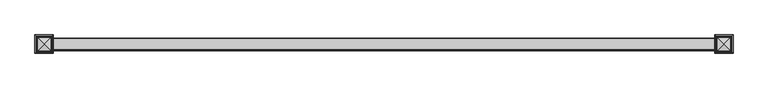
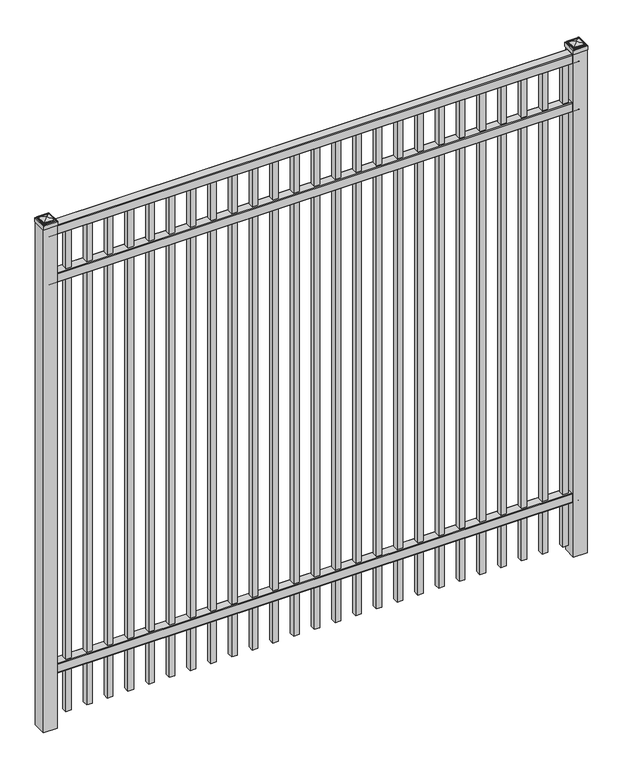
"""IFC4 building model written with IfcOpenShell, lengths in millimetres: railing geometry."""

from ifc_helpers import new_model, si_unit, point, frame, frame_2d, origin, origin_with_axes, place, context, project, spatial, polyline, circle_curve, ellipse_curve, trimmed, segment, composite_curve, outline, extrude, source, transform, mapped, element, save
from ifc_brep_helpers import plane_surface, cylinder_surface, advanced_brep


def railing_5f2b5eb3(model_context):
    return source(origin(), model_context, "Body", "SolidModel", [
        extrude(outline(composite_curve([segment(polyline([(7301.9139761, 304.8), (7339.969541, 304.8)]), True, "CONTINUOUS"), segment(trimmed(circle_curve(frame_2d((7339.969541, 301.625)), 3.175), [point((7339.969541, 304.8))], [point((7343.144541, 301.625))], False, "CARTESIAN"), True, "CONTINUOUS"), segment(polyline([(7343.144541, 301.625), (7343.144541, 262.1439893)]), True, "CONTINUOUS"), segment(trimmed(circle_curve(frame_2d((7341.3505518, 262.1439893)), 1.7939893), [point((7343.144541, 262.1439893))], [point((7341.3505518, 260.35))], False, "CARTESIAN"), True, "CONTINUOUS"), segment(polyline([(7341.3505518, 260.35), (7338.7590713, 260.35)]), True, "CONTINUOUS"), segment(trimmed(circle_curve(frame_2d((7338.7590713, 262.1359375)), 1.7859375), [point((7338.7590713, 260.35))], [point((7336.9755813, 262.0424688))], False, "CARTESIAN"), True, "CONTINUOUS"), segment(polyline([(7336.9755813, 262.0424688), (7335.4025867, 292.0569942), (7306.4364954, 292.0569942), (7304.8635007, 262.0424688)]), True, "CONTINUOUS"), segment(trimmed(circle_curve(frame_2d((7303.0800108, 262.1359375)), 1.7859375), [point((7304.8635007, 262.0424688))], [point((7303.0800108, 260.35))], False, "CARTESIAN"), True, "CONTINUOUS"), segment(polyline([(7303.0800108, 260.35), (7300.4804785, 260.35)]), True, "CONTINUOUS"), segment(trimmed(circle_curve(frame_2d((7300.4804785, 262.1359375)), 1.7859375), [point((7300.4804785, 260.35))], [point((7298.694541, 262.1359375))], False, "CARTESIAN"), True, "CONTINUOUS"), segment(polyline([(7298.694541, 262.1359375), (7298.694541, 301.5805649)]), True, "CONTINUOUS"), segment(trimmed(circle_curve(frame_2d((7301.9139761, 301.5805649)), 3.2194351), [point((7298.694541, 301.5805649))], [point((7301.9139761, 304.8))], False, "CARTESIAN"), True, "CONTINUOUS")], self_intersect=False)), frame((-10765.0649936, 0.0, 0.0), z_axis=(1.0, 0.0, 0.0), x_axis=(0.0, 1.0, 0.0)), (0.0, 0.0, 1.0), 2438.4),
        extrude(outline(composite_curve([segment(polyline([(7301.9139761, 2205.0375), (7339.969541, 2205.0375)]), True, "CONTINUOUS"), segment(trimmed(circle_curve(frame_2d((7339.969541, 2201.8625)), 3.175), [point((7339.969541, 2205.0375))], [point((7343.144541, 2201.8625))], False, "CARTESIAN"), True, "CONTINUOUS"), segment(polyline([(7343.144541, 2201.8625), (7343.144541, 2162.3814893)]), True, "CONTINUOUS"), segment(trimmed(circle_curve(frame_2d((7341.3505518, 2162.3814893)), 1.7939893), [point((7343.144541, 2162.3814893))], [point((7341.3505518, 2160.5875))], False, "CARTESIAN"), True, "CONTINUOUS"), segment(polyline([(7341.3505518, 2160.5875), (7338.7590713, 2160.5875)]), True, "CONTINUOUS"), segment(trimmed(circle_curve(frame_2d((7338.7590713, 2162.3734375)), 1.7859375), [point((7338.7590713, 2160.5875))], [point((7336.9755813, 2162.2799688))], False, "CARTESIAN"), True, "CONTINUOUS"), segment(polyline([(7336.9755813, 2162.2799688), (7335.4025867, 2192.2944942), (7306.4364954, 2192.2944942), (7304.8635007, 2162.2799688)]), True, "CONTINUOUS"), segment(trimmed(circle_curve(frame_2d((7303.0800108, 2162.3734375)), 1.7859375), [point((7304.8635007, 2162.2799688))], [point((7303.0800108, 2160.5875))], False, "CARTESIAN"), True, "CONTINUOUS"), segment(polyline([(7303.0800108, 2160.5875), (7300.4804785, 2160.5875)]), True, "CONTINUOUS"), segment(trimmed(circle_curve(frame_2d((7300.4804785, 2162.3734375)), 1.7859375), [point((7300.4804785, 2160.5875))], [point((7298.694541, 2162.3734375))], False, "CARTESIAN"), True, "CONTINUOUS"), segment(polyline([(7298.694541, 2162.3734375), (7298.694541, 2201.8180649)]), True, "CONTINUOUS"), segment(trimmed(circle_curve(frame_2d((7301.9139761, 2201.8180649)), 3.2194351), [point((7298.694541, 2201.8180649))], [point((7301.9139761, 2205.0375))], False, "CARTESIAN"), True, "CONTINUOUS")], self_intersect=False)), frame((-10765.0649936, 0.0, 0.0), z_axis=(1.0, 0.0, 0.0), x_axis=(0.0, 1.0, 0.0)), (0.0, 0.0, 1.0), 2438.4),
        extrude(outline(composite_curve([segment(polyline([(7301.9139761, 2438.4), (7339.969541, 2438.4)]), True, "CONTINUOUS"), segment(trimmed(circle_curve(frame_2d((7339.969541, 2435.225)), 3.175), [point((7339.969541, 2438.4))], [point((7343.144541, 2435.225))], False, "CARTESIAN"), True, "CONTINUOUS"), segment(polyline([(7343.144541, 2435.225), (7343.144541, 2395.7439893)]), True, "CONTINUOUS"), segment(trimmed(circle_curve(frame_2d((7341.3505518, 2395.7439893)), 1.7939893), [point((7343.144541, 2395.7439893))], [point((7341.3505518, 2393.95))], False, "CARTESIAN"), True, "CONTINUOUS"), segment(polyline([(7341.3505518, 2393.95), (7338.7590713, 2393.95)]), True, "CONTINUOUS"), segment(trimmed(circle_curve(frame_2d((7338.7590713, 2395.7359375)), 1.7859375), [point((7338.7590713, 2393.95))], [point((7336.9755813, 2395.6424688))], False, "CARTESIAN"), True, "CONTINUOUS"), segment(polyline([(7336.9755813, 2395.6424688), (7335.4025867, 2425.6569942), (7306.4364954, 2425.6569942), (7304.8635007, 2395.6424688)]), True, "CONTINUOUS"), segment(trimmed(circle_curve(frame_2d((7303.0800108, 2395.7359375)), 1.7859375), [point((7304.8635007, 2395.6424688))], [point((7303.0800108, 2393.95))], False, "CARTESIAN"), True, "CONTINUOUS"), segment(polyline([(7303.0800108, 2393.95), (7300.4804785, 2393.95)]), True, "CONTINUOUS"), segment(trimmed(circle_curve(frame_2d((7300.4804785, 2395.7359375)), 1.7859375), [point((7300.4804785, 2393.95))], [point((7298.694541, 2395.7359375))], False, "CARTESIAN"), True, "CONTINUOUS"), segment(polyline([(7298.694541, 2395.7359375), (7298.694541, 2435.1805649)]), True, "CONTINUOUS"), segment(trimmed(circle_curve(frame_2d((7301.9139761, 2435.1805649)), 3.2194351), [point((7298.694541, 2435.1805649))], [point((7301.9139761, 2438.4))], False, "CARTESIAN"), True, "CONTINUOUS")], self_intersect=False)), frame((-10765.0649936, 0.0, 0.0), z_axis=(1.0, 0.0, 0.0), x_axis=(0.0, 1.0, 0.0)), (0.0, 0.0, 1.0), 2438.4),
        extrude(outline(polyline([(0.0, -2343.15), (0.0, 0.0), (25.4, 0.0), (25.4, -2343.15), (0.0, -2343.15)])), frame((-8371.1149864, 7333.619541, 2393.95), z_axis=(-1.0, 0.0, 1.7709660025718264e-09), x_axis=(0.0, -1.0, 0.0)), (0.0, 0.0, 1.0), 25.4),
        extrude(outline(polyline([(0.0, -2343.15), (0.0, 0.0), (25.4, 0.0), (25.4, -2343.15), (0.0, -2343.15)])), frame((-8466.3649864, 7333.619541, 2393.95), z_axis=(-1.0, 0.0, 1.7709660025718264e-09), x_axis=(0.0, -1.0, 0.0)), (0.0, 0.0, 1.0), 25.4),
        extrude(outline(polyline([(0.0, -2343.15), (0.0, 0.0), (25.4, 0.0), (25.4, -2343.15), (0.0, -2343.15)])), frame((-8561.6149864, 7333.619541, 2393.95), z_axis=(-1.0, 0.0, 1.7709660025718264e-09), x_axis=(0.0, -1.0, 0.0)), (0.0, 0.0, 1.0), 25.4),
        extrude(outline(polyline([(0.0, -2343.15), (0.0, 0.0), (25.4, 0.0), (25.4, -2343.15), (0.0, -2343.15)])), frame((-8656.8649864, 7333.619541, 2393.95), z_axis=(-1.0, 0.0, 1.7709660025718264e-09), x_axis=(0.0, -1.0, 0.0)), (0.0, 0.0, 1.0), 25.4),
        extrude(outline(polyline([(0.0, -2343.15), (0.0, 0.0), (25.4, 0.0), (25.4, -2343.15), (0.0, -2343.15)])), frame((-8752.1149864, 7333.619541, 2393.95), z_axis=(-1.0, 0.0, 1.7709660025718264e-09), x_axis=(0.0, -1.0, 0.0)), (0.0, 0.0, 1.0), 25.4),
        extrude(outline(polyline([(0.0, -2343.15), (0.0, 0.0), (25.4, 0.0), (25.4, -2343.15), (0.0, -2343.15)])), frame((-8847.3649864, 7333.619541, 2393.95), z_axis=(-1.0, 0.0, 1.7709660025718264e-09), x_axis=(0.0, -1.0, 0.0)), (0.0, 0.0, 1.0), 25.4),
        extrude(outline(polyline([(0.0, -2343.15), (0.0, 0.0), (25.4, 0.0), (25.4, -2343.15), (0.0, -2343.15)])), frame((-8942.6149864, 7333.619541, 2393.95), z_axis=(-1.0, 0.0, 1.7709660025718264e-09), x_axis=(0.0, -1.0, 0.0)), (0.0, 0.0, 1.0), 25.4),
        extrude(outline(polyline([(0.0, -2343.15), (0.0, 0.0), (25.4, 0.0), (25.4, -2343.15), (0.0, -2343.15)])), frame((-9037.8649864, 7333.619541, 2393.95), z_axis=(-1.0, 0.0, 1.7709660025718264e-09), x_axis=(0.0, -1.0, 0.0)), (0.0, 0.0, 1.0), 25.4),
        extrude(outline(polyline([(0.0, -2343.15), (0.0, 0.0), (25.4, 0.0), (25.4, -2343.15), (0.0, -2343.15)])), frame((-9133.1149864, 7333.619541, 2393.95), z_axis=(-1.0, 0.0, 1.7709660025718264e-09), x_axis=(0.0, -1.0, 0.0)), (0.0, 0.0, 1.0), 25.4),
        extrude(outline(polyline([(0.0, -2343.15), (0.0, 0.0), (25.4, 0.0), (25.4, -2343.15), (0.0, -2343.15)])), frame((-9228.3649864, 7333.619541, 2393.95), z_axis=(-1.0, 0.0, 1.7709660025718264e-09), x_axis=(0.0, -1.0, 0.0)), (0.0, 0.0, 1.0), 25.4),
        extrude(outline(polyline([(0.0, -2343.15), (0.0, 0.0), (25.4, 0.0), (25.4, -2343.15), (0.0, -2343.15)])), frame((-9323.6149864, 7333.619541, 2393.95), z_axis=(-1.0, 0.0, 1.7709660025718264e-09), x_axis=(0.0, -1.0, 0.0)), (0.0, 0.0, 1.0), 25.4),
        extrude(outline(polyline([(0.0, -2343.15), (0.0, 0.0), (25.4, 0.0), (25.4, -2343.15), (0.0, -2343.15)])), frame((-9418.8649864, 7333.619541, 2393.95), z_axis=(-1.0, 0.0, 1.7709660025718264e-09), x_axis=(0.0, -1.0, 0.0)), (0.0, 0.0, 1.0), 25.4),
        extrude(outline(polyline([(0.0, -2343.15), (0.0, 0.0), (25.4, 0.0), (25.4, -2343.15), (0.0, -2343.15)])), frame((-9514.1149864, 7333.619541, 2393.95), z_axis=(-1.0, 0.0, 1.7709660025718264e-09), x_axis=(0.0, -1.0, 0.0)), (0.0, 0.0, 1.0), 25.4),
        extrude(outline(polyline([(0.0, -2343.15), (0.0, 0.0), (25.4, 0.0), (25.4, -2343.15), (0.0, -2343.15)])), frame((-9609.3649864, 7333.619541, 2393.95), z_axis=(-1.0, 0.0, 1.7709660025718264e-09), x_axis=(0.0, -1.0, 0.0)), (0.0, 0.0, 1.0), 25.4),
        extrude(outline(polyline([(0.0, -2343.15), (0.0, 0.0), (25.4, 0.0), (25.4, -2343.15), (0.0, -2343.15)])), frame((-9704.6149864, 7333.619541, 2393.95), z_axis=(-1.0, 0.0, 1.7709660025718264e-09), x_axis=(0.0, -1.0, 0.0)), (0.0, 0.0, 1.0), 25.4),
        extrude(outline(polyline([(0.0, -2343.15), (0.0, 0.0), (25.4, 0.0), (25.4, -2343.15), (0.0, -2343.15)])), frame((-9799.8649864, 7333.619541, 2393.95), z_axis=(-1.0, 0.0, 1.7709660025718264e-09), x_axis=(0.0, -1.0, 0.0)), (0.0, 0.0, 1.0), 25.4),
        extrude(outline(polyline([(0.0, -2343.15), (0.0, 0.0), (25.4, 0.0), (25.4, -2343.15), (0.0, -2343.15)])), frame((-9895.1149864, 7333.619541, 2393.95), z_axis=(-1.0, 0.0, 1.7709660025718264e-09), x_axis=(0.0, -1.0, 0.0)), (0.0, 0.0, 1.0), 25.4),
        extrude(outline(polyline([(0.0, -2343.15), (0.0, 0.0), (25.4, 0.0), (25.4, -2343.15), (0.0, -2343.15)])), frame((-9990.3649864, 7333.619541, 2393.95), z_axis=(-1.0, 0.0, 1.7709660025718264e-09), x_axis=(0.0, -1.0, 0.0)), (0.0, 0.0, 1.0), 25.4),
        extrude(outline(polyline([(0.0, -2343.15), (0.0, 0.0), (25.4, 0.0), (25.4, -2343.15), (0.0, -2343.15)])), frame((-10085.6149864, 7333.619541, 2393.95), z_axis=(-1.0, 0.0, 1.7709660025718264e-09), x_axis=(0.0, -1.0, 0.0)), (0.0, 0.0, 1.0), 25.4),
        extrude(outline(polyline([(0.0, -2343.15), (0.0, 0.0), (25.4, 0.0), (25.4, -2343.15), (0.0, -2343.15)])), frame((-10180.8649864, 7333.619541, 2393.95), z_axis=(-1.0, 0.0, 1.7709660025718264e-09), x_axis=(0.0, -1.0, 0.0)), (0.0, 0.0, 1.0), 25.4),
        extrude(outline(polyline([(0.0, -2343.15), (0.0, 0.0), (25.4, 0.0), (25.4, -2343.15), (0.0, -2343.15)])), frame((-10276.1149864, 7333.619541, 2393.95), z_axis=(-1.0, 0.0, 1.7709660025718264e-09), x_axis=(0.0, -1.0, 0.0)), (0.0, 0.0, 1.0), 25.4),
        extrude(outline(polyline([(0.0, -2343.15), (0.0, 0.0), (25.4, 0.0), (25.4, -2343.15), (0.0, -2343.15)])), frame((-10371.3649864, 7333.619541, 2393.95), z_axis=(-1.0, 0.0, 1.7709660025718264e-09), x_axis=(0.0, -1.0, 0.0)), (0.0, 0.0, 1.0), 25.4),
        extrude(outline(polyline([(0.0, -2343.15), (0.0, 0.0), (25.4, 0.0), (25.4, -2343.15), (0.0, -2343.15)])), frame((-10466.6149864, 7333.619541, 2393.95), z_axis=(-1.0, 0.0, 1.7709660025718264e-09), x_axis=(0.0, -1.0, 0.0)), (0.0, 0.0, 1.0), 25.4),
        extrude(outline(polyline([(0.0, -2343.15), (0.0, 0.0), (25.4, 0.0), (25.4, -2343.15), (0.0, -2343.15)])), frame((-10561.8649864, 7333.619541, 2393.95), z_axis=(-1.0, 0.0, 1.7709660025718264e-09), x_axis=(0.0, -1.0, 0.0)), (0.0, 0.0, 1.0), 25.4),
        extrude(outline(polyline([(0.0, -2343.15), (0.0, 0.0), (25.4, 0.0), (25.4, -2343.15), (0.0, -2343.15)])), frame((-10657.1149864, 7333.619541, 2393.95), z_axis=(-1.0, 0.0, 1.7709660025718264e-09), x_axis=(0.0, -1.0, 0.0)), (0.0, 0.0, 1.0), 25.4),
        extrude(outline(polyline([(-8294.9149936, 7352.669541), (-8294.9149936, 7289.169541), (-8358.4149936, 7289.169541), (-8358.4149936, 7352.669541), (-8294.9149936, 7352.669541)])), origin_with_axes(), (0.0, 0.0, 1.0), 2446.3375),
        advanced_brep(
        [(-8360.0024936, 7354.257041, 2464.59375), (-8360.0024936, 7354.257041, 2446.3375), (-8360.0024936, 7287.582041, 2446.3375), (-8360.0024936, 7287.582041, 2464.59375), (-8357.6212436, 7351.875791, 2466.975), (-8357.6212436, 7289.963291, 2466.975), (-8355.2399936, 7349.494541, 2469.35625), (-8355.2399936, 7349.494541, 2466.975), (-8355.2399936, 7292.344541, 2466.975), (-8355.2399936, 7292.344541, 2469.35625), (-8352.8587436, 7347.113291, 2471.7375), (-8352.8587436, 7294.725791, 2471.7375), (-8326.6649936, 7320.919541, 2478.0875), (-8350.4774936, 7344.732041, 2471.7375), (-8350.4774936, 7297.107041, 2471.7375), (-8293.3274936, 7287.582041, 2446.3375), (-8293.3274936, 7287.582041, 2464.59375), (-8295.7087436, 7289.963291, 2466.975), (-8298.0899936, 7292.344541, 2466.975), (-8298.0899936, 7292.344541, 2469.35625), (-8300.4712436, 7294.725791, 2471.7375), (-8302.8524936, 7297.107041, 2471.7375), (-8293.3274936, 7354.257041, 2446.3375), (-8293.3274936, 7354.257041, 2464.59375), (-8295.7087436, 7351.875791, 2466.975), (-8298.0899936, 7349.494541, 2466.975), (-8298.0899936, 7349.494541, 2469.35625), (-8300.4712436, 7347.113291, 2471.7375), (-8302.8524936, 7344.732041, 2471.7375)],
        [
            (0, 1),
            (1, 2),
            (2, 3),
            (3, 0),
            (4, 0, ellipse_curve(frame((-8357.6212436, 7351.875791, 2464.59375), z_axis=(-0.70710678118655, -0.7071067811865449, 0.0), x_axis=(-0.7071067811865448, 0.7071067811865501, 0.0)), 3.367596, 2.38125)),
            (3, 5, ellipse_curve(frame((-8357.6212436, 7289.963291, 2464.59375), z_axis=(-0.7071067811865449, 0.70710678118655, 0.0), x_axis=(0.7071067811865499, 0.707106781186545, 0.0)), 3.367596, 2.38125)),
            (5, 4),
            (6, 7),
            (7, 8),
            (8, 9),
            (9, 6),
            (10, 6, ellipse_curve(frame((-8352.8587436, 7347.113291, 2469.35625), z_axis=(-0.70710678118655, -0.7071067811865449, 0.0), x_axis=(-0.7071067811865448, 0.7071067811865501, 0.0)), 3.367596, 2.38125)),
            (9, 11, ellipse_curve(frame((-8352.8587436, 7294.725791, 2469.35625), z_axis=(-0.7071067811865449, 0.70710678118655, 0.0), x_axis=(0.7071067811865499, 0.707106781186545, 0.0)), 3.367596, 2.38125)),
            (11, 10),
            (12, 13, ellipse_curve(frame((-8326.6649936, 7320.919541, 2430.2640625), z_axis=(-0.70710678118655, -0.7071067811865449, 0.0), x_axis=(-0.7071067811865448, 0.7071067811865501, 0.0)), 67.6325539, 47.8234375)),
            (13, 14),
            (14, 12, ellipse_curve(frame((-8326.6649936, 7320.919541, 2430.2640625), z_axis=(-0.7071067811865449, 0.70710678118655, 0.0), x_axis=(0.7071067811865499, 0.707106781186545, 0.0)), 67.6325539, 47.8234375)),
            (2, 15),
            (15, 16),
            (16, 3),
            (16, 17, ellipse_curve(frame((-8295.7087436, 7289.963291, 2464.59375), z_axis=(-0.70710678118655, -0.707106781186545, 0.0), x_axis=(-0.707106781186545, 0.70710678118655, 0.0)), 3.367596, 2.38125)),
            (17, 5),
            (8, 18),
            (18, 19),
            (19, 9),
            (19, 20, ellipse_curve(frame((-8300.4712436, 7294.725791, 2469.35625), z_axis=(-0.70710678118655, -0.707106781186545, 0.0), x_axis=(-0.707106781186545, 0.70710678118655, 0.0)), 3.367596, 2.38125)),
            (20, 11),
            (14, 21),
            (21, 12, ellipse_curve(frame((-8326.6649936, 7320.919541, 2430.2640625), z_axis=(-0.70710678118655, -0.707106781186545, 0.0), x_axis=(-0.707106781186545, 0.70710678118655, 0.0)), 67.6325539, 47.8234375)),
            (15, 22),
            (22, 23),
            (23, 16),
            (23, 24, ellipse_curve(frame((-8295.7087436, 7351.875791, 2464.59375), z_axis=(0.707106781186545, -0.7071067811865499, 0.0), x_axis=(-0.7071067811865497, -0.7071067811865452, 0.0)), 3.367596, 2.38125)),
            (24, 17),
            (18, 25),
            (25, 26),
            (26, 19),
            (26, 27, ellipse_curve(frame((-8300.4712436, 7347.113291, 2469.35625), z_axis=(0.707106781186545, -0.7071067811865499, 0.0), x_axis=(-0.7071067811865497, -0.7071067811865452, 0.0)), 3.367596, 2.38125)),
            (27, 20),
            (21, 28),
            (28, 12, ellipse_curve(frame((-8326.6649936, 7320.919541, 2430.2640625), z_axis=(0.707106781186545, -0.7071067811865499, 0.0), x_axis=(-0.7071067811865497, -0.7071067811865452, 0.0)), 67.6325539, 47.8234375)),
            (22, 1),
            (0, 23),
            (4, 24),
            (7, 25),
            (6, 26),
            (10, 27),
            (13, 28),
        ],
        [
            plane_surface(frame((-8360.0024936, 7354.257041, 2446.3375), z_axis=(-1.0, 0.0, 0.0), x_axis=(0.0, -1.0, 0.0))),
            cylinder_surface(frame((-8357.6212436, 7352.669541, 2464.59375), z_axis=(0.0, 1.0, 0.0), x_axis=(1.0, 0.0, 0.0)), 2.38125),
            plane_surface(frame((-8355.2399936, 7349.494541, 2466.975), z_axis=(-1.0, 0.0, 0.0), x_axis=(0.0, -1.0, 0.0))),
            cylinder_surface(frame((-8352.8587436, 7352.669541, 2469.35625), z_axis=(0.0, 1.0, 0.0), x_axis=(1.0, 0.0, 0.0)), 2.38125),
            cylinder_surface(frame((-8326.6649936, 7352.669541, 2430.2640625), z_axis=(0.0, 1.0, 0.0), x_axis=(1.0, 0.0, 0.0)), 47.8234375),
            plane_surface(frame((-8360.0024936, 7287.582041, 2446.3375), z_axis=(0.0, -1.0, 0.0), x_axis=(1.0, 0.0, 0.0))),
            cylinder_surface(frame((-8358.4149936, 7289.963291, 2464.59375), z_axis=(-1.0, 0.0, 0.0), x_axis=(0.0, 1.0, 0.0)), 2.38125),
            plane_surface(frame((-8355.2399936, 7292.344541, 2466.975), z_axis=(0.0, -1.0, 0.0), x_axis=(1.0, 0.0, 0.0))),
            cylinder_surface(frame((-8358.4149936, 7294.725791, 2469.35625), z_axis=(-1.0, 0.0, 0.0), x_axis=(0.0, 1.0, 0.0)), 2.38125),
            cylinder_surface(frame((-8358.4149936, 7320.919541, 2430.2640625), z_axis=(-1.0, 0.0, 0.0), x_axis=(0.0, 1.0, 0.0)), 47.8234375),
            plane_surface(frame((-8293.3274936, 7287.582041, 2446.3375), z_axis=(1.0, 0.0, 0.0), x_axis=(0.0, 1.0, 0.0))),
            cylinder_surface(frame((-8295.7087436, 7289.169541, 2464.59375), z_axis=(0.0, -1.0, 0.0), x_axis=(-1.0, 0.0, 0.0)), 2.38125),
            plane_surface(frame((-8298.0899936, 7292.344541, 2466.975), z_axis=(1.0, 0.0, 0.0), x_axis=(0.0, 1.0, 0.0))),
            cylinder_surface(frame((-8300.4712436, 7289.169541, 2469.35625), z_axis=(0.0, -1.0, 0.0), x_axis=(-1.0, 0.0, 0.0)), 2.38125),
            cylinder_surface(frame((-8326.6649936, 7289.169541, 2430.2640625), z_axis=(0.0, -1.0, 0.0), x_axis=(-1.0, 0.0, 0.0)), 47.8234375),
            plane_surface(frame((-8293.3274936, 7354.257041, 2446.3375), z_axis=(0.0, 1.0, 0.0), x_axis=(-1.0, 0.0, 0.0))),
            cylinder_surface(frame((-8294.9149936, 7351.875791, 2464.59375), z_axis=(1.0, 0.0, 0.0), x_axis=(0.0, -1.0, 0.0)), 2.38125),
            plane_surface(frame((-8295.7087436, 7351.875791, 2466.975), z_axis=(0.0, 0.0, 1.0), x_axis=(-1.0, 0.0, 0.0))),
            plane_surface(frame((-8298.0899936, 7349.494541, 2466.975), z_axis=(0.0, 1.0, 0.0), x_axis=(-1.0, 0.0, 0.0))),
            cylinder_surface(frame((-8294.9149936, 7347.113291, 2469.35625), z_axis=(1.0, 0.0, 0.0), x_axis=(0.0, -1.0, 0.0)), 2.38125),
            plane_surface(frame((-8300.4712436, 7347.113291, 2471.7375), z_axis=(0.0, 0.0, 1.0), x_axis=(-1.0, 0.0, 0.0))),
            cylinder_surface(frame((-8294.9149936, 7320.919541, 2430.2640625), z_axis=(1.0, 0.0, 0.0), x_axis=(0.0, -1.0, 0.0)), 47.8234375),
            plane_surface(frame((-8326.6649936, 7320.919541, 2446.3375), z_axis=(0.0, 0.0, -1.0), x_axis=(-1.0, 0.0, 0.0))),
        ],
        [
            (0, [[1, 2, 3, 4]]),
            (1, [[5, -4, 6, 7]]),
            (2, [[8, 9, 10, 11]]),
            (3, [[12, -11, 13, 14]]),
            (4, [[15, 16, 17]]),
            (5, [[-3, 18, 19, 20]]),
            (6, [[-6, -20, 21, 22]]),
            (7, [[-10, 23, 24, 25]]),
            (8, [[-13, -25, 26, 27]]),
            (9, [[-17, 28, 29]]),
            (10, [[-19, 30, 31, 32]]),
            (11, [[-21, -32, 33, 34]]),
            (12, [[-24, 35, 36, 37]]),
            (13, [[-26, -37, 38, 39]]),
            (14, [[-29, 40, 41]]),
            (15, [[-31, 42, -1, 43]]),
            (16, [[-33, -43, -5, 44]]),
            (17, [[-22, -34, -44, -7], [45, -35, -23, -9]]),
            (18, [[-36, -45, -8, 46]]),
            (19, [[-38, -46, -12, 47]]),
            (20, [[-27, -39, -47, -14], [48, -40, -28, -16]]),
            (21, [[-41, -48, -15]]),
            (22, [[-42, -30, -18, -2]]),
        ],
    ),
        extrude(outline(polyline([(-10733.3149936, 7352.669541), (-10733.3149936, 7289.169541), (-10796.8149936, 7289.169541), (-10796.8149936, 7352.669541), (-10733.3149936, 7352.669541)])), origin_with_axes(), (0.0, 0.0, 1.0), 2446.3375),
        advanced_brep(
        [(-10798.4024936, 7354.257041, 2464.59375), (-10798.4024936, 7354.257041, 2446.3375), (-10798.4024936, 7287.582041, 2446.3375), (-10798.4024936, 7287.582041, 2464.59375), (-10796.0212436, 7351.875791, 2466.975), (-10796.0212436, 7289.963291, 2466.975), (-10793.6399936, 7349.494541, 2469.35625), (-10793.6399936, 7349.494541, 2466.975), (-10793.6399936, 7292.344541, 2466.975), (-10793.6399936, 7292.344541, 2469.35625), (-10791.2587436, 7347.113291, 2471.7375), (-10791.2587436, 7294.725791, 2471.7375), (-10765.0649936, 7320.919541, 2478.0875), (-10788.8774936, 7344.732041, 2471.7375), (-10788.8774936, 7297.107041, 2471.7375), (-10731.7274936, 7287.582041, 2446.3375), (-10731.7274936, 7287.582041, 2464.59375), (-10734.1087436, 7289.963291, 2466.975), (-10736.4899936, 7292.344541, 2466.975), (-10736.4899936, 7292.344541, 2469.35625), (-10738.8712436, 7294.725791, 2471.7375), (-10741.2524936, 7297.107041, 2471.7375), (-10731.7274936, 7354.257041, 2446.3375), (-10731.7274936, 7354.257041, 2464.59375), (-10734.1087436, 7351.875791, 2466.975), (-10736.4899936, 7349.494541, 2466.975), (-10736.4899936, 7349.494541, 2469.35625), (-10738.8712436, 7347.113291, 2471.7375), (-10741.2524936, 7344.732041, 2471.7375)],
        [
            (0, 1),
            (1, 2),
            (2, 3),
            (3, 0),
            (4, 0, ellipse_curve(frame((-10796.0212436, 7351.875791, 2464.59375), z_axis=(-0.70710678118655, -0.7071067811865449, 0.0), x_axis=(-0.7071067811865448, 0.7071067811865501, 0.0)), 3.367596, 2.38125)),
            (3, 5, ellipse_curve(frame((-10796.0212436, 7289.963291, 2464.59375), z_axis=(-0.7071067811865449, 0.70710678118655, 0.0), x_axis=(0.7071067811865499, 0.707106781186545, 0.0)), 3.367596, 2.38125)),
            (5, 4),
            (6, 7),
            (7, 8),
            (8, 9),
            (9, 6),
            (10, 6, ellipse_curve(frame((-10791.2587436, 7347.113291, 2469.35625), z_axis=(-0.70710678118655, -0.7071067811865449, 0.0), x_axis=(-0.7071067811865448, 0.7071067811865501, 0.0)), 3.367596, 2.38125)),
            (9, 11, ellipse_curve(frame((-10791.2587436, 7294.725791, 2469.35625), z_axis=(-0.7071067811865449, 0.70710678118655, 0.0), x_axis=(0.7071067811865499, 0.707106781186545, 0.0)), 3.367596, 2.38125)),
            (11, 10),
            (12, 13, ellipse_curve(frame((-10765.0649936, 7320.919541, 2430.2640625), z_axis=(-0.70710678118655, -0.7071067811865449, 0.0), x_axis=(-0.7071067811865448, 0.7071067811865501, 0.0)), 67.6325539, 47.8234375)),
            (13, 14),
            (14, 12, ellipse_curve(frame((-10765.0649936, 7320.919541, 2430.2640625), z_axis=(-0.7071067811865449, 0.70710678118655, 0.0), x_axis=(0.7071067811865499, 0.707106781186545, 0.0)), 67.6325539, 47.8234375)),
            (2, 15),
            (15, 16),
            (16, 3),
            (16, 17, ellipse_curve(frame((-10734.1087436, 7289.963291, 2464.59375), z_axis=(-0.70710678118655, -0.707106781186545, 0.0), x_axis=(-0.707106781186545, 0.70710678118655, 0.0)), 3.367596, 2.38125)),
            (17, 5),
            (8, 18),
            (18, 19),
            (19, 9),
            (19, 20, ellipse_curve(frame((-10738.8712436, 7294.725791, 2469.35625), z_axis=(-0.70710678118655, -0.707106781186545, 0.0), x_axis=(-0.707106781186545, 0.70710678118655, 0.0)), 3.367596, 2.38125)),
            (20, 11),
            (14, 21),
            (21, 12, ellipse_curve(frame((-10765.0649936, 7320.919541, 2430.2640625), z_axis=(-0.70710678118655, -0.707106781186545, 0.0), x_axis=(-0.707106781186545, 0.70710678118655, 0.0)), 67.6325539, 47.8234375)),
            (15, 22),
            (22, 23),
            (23, 16),
            (23, 24, ellipse_curve(frame((-10734.1087436, 7351.875791, 2464.59375), z_axis=(0.707106781186545, -0.7071067811865499, 0.0), x_axis=(-0.7071067811865497, -0.7071067811865452, 0.0)), 3.367596, 2.38125)),
            (24, 17),
            (18, 25),
            (25, 26),
            (26, 19),
            (26, 27, ellipse_curve(frame((-10738.8712436, 7347.113291, 2469.35625), z_axis=(0.707106781186545, -0.7071067811865499, 0.0), x_axis=(-0.7071067811865497, -0.7071067811865452, 0.0)), 3.367596, 2.38125)),
            (27, 20),
            (21, 28),
            (28, 12, ellipse_curve(frame((-10765.0649936, 7320.919541, 2430.2640625), z_axis=(0.707106781186545, -0.7071067811865499, 0.0), x_axis=(-0.7071067811865497, -0.7071067811865452, 0.0)), 67.6325539, 47.8234375)),
            (22, 1),
            (0, 23),
            (4, 24),
            (7, 25),
            (6, 26),
            (10, 27),
            (13, 28),
        ],
        [
            plane_surface(frame((-10798.4024936, 7354.257041, 2446.3375), z_axis=(-1.0, 0.0, 0.0), x_axis=(0.0, -1.0, 0.0))),
            cylinder_surface(frame((-10796.0212436, 7352.669541, 2464.59375), z_axis=(0.0, 1.0, 0.0), x_axis=(1.0, 0.0, 0.0)), 2.38125),
            plane_surface(frame((-10793.6399936, 7349.494541, 2466.975), z_axis=(-1.0, 0.0, 0.0), x_axis=(0.0, -1.0, 0.0))),
            cylinder_surface(frame((-10791.2587436, 7352.669541, 2469.35625), z_axis=(0.0, 1.0, 0.0), x_axis=(1.0, 0.0, 0.0)), 2.38125),
            cylinder_surface(frame((-10765.0649936, 7352.669541, 2430.2640625), z_axis=(0.0, 1.0, 0.0), x_axis=(1.0, 0.0, 0.0)), 47.8234375),
            plane_surface(frame((-10798.4024936, 7287.582041, 2446.3375), z_axis=(0.0, -1.0, 0.0), x_axis=(1.0, 0.0, 0.0))),
            cylinder_surface(frame((-10796.8149936, 7289.963291, 2464.59375), z_axis=(-1.0, 0.0, 0.0), x_axis=(0.0, 1.0, 0.0)), 2.38125),
            plane_surface(frame((-10793.6399936, 7292.344541, 2466.975), z_axis=(0.0, -1.0, 0.0), x_axis=(1.0, 0.0, 0.0))),
            cylinder_surface(frame((-10796.8149936, 7294.725791, 2469.35625), z_axis=(-1.0, 0.0, 0.0), x_axis=(0.0, 1.0, 0.0)), 2.38125),
            cylinder_surface(frame((-10796.8149936, 7320.919541, 2430.2640625), z_axis=(-1.0, 0.0, 0.0), x_axis=(0.0, 1.0, 0.0)), 47.8234375),
            plane_surface(frame((-10731.7274936, 7287.582041, 2446.3375), z_axis=(1.0, 0.0, 0.0), x_axis=(0.0, 1.0, 0.0))),
            cylinder_surface(frame((-10734.1087436, 7289.169541, 2464.59375), z_axis=(0.0, -1.0, 0.0), x_axis=(-1.0, 0.0, 0.0)), 2.38125),
            plane_surface(frame((-10736.4899936, 7292.344541, 2466.975), z_axis=(1.0, 0.0, 0.0), x_axis=(0.0, 1.0, 0.0))),
            cylinder_surface(frame((-10738.8712436, 7289.169541, 2469.35625), z_axis=(0.0, -1.0, 0.0), x_axis=(-1.0, 0.0, 0.0)), 2.38125),
            cylinder_surface(frame((-10765.0649936, 7289.169541, 2430.2640625), z_axis=(0.0, -1.0, 0.0), x_axis=(-1.0, 0.0, 0.0)), 47.8234375),
            plane_surface(frame((-10731.7274936, 7354.257041, 2446.3375), z_axis=(0.0, 1.0, 0.0), x_axis=(-1.0, 0.0, 0.0))),
            cylinder_surface(frame((-10733.3149936, 7351.875791, 2464.59375), z_axis=(1.0, 0.0, 0.0), x_axis=(0.0, -1.0, 0.0)), 2.38125),
            plane_surface(frame((-10734.1087436, 7351.875791, 2466.975), z_axis=(0.0, 0.0, 1.0), x_axis=(-1.0, 0.0, 0.0))),
            plane_surface(frame((-10736.4899936, 7349.494541, 2466.975), z_axis=(0.0, 1.0, 0.0), x_axis=(-1.0, 0.0, 0.0))),
            cylinder_surface(frame((-10733.3149936, 7347.113291, 2469.35625), z_axis=(1.0, 0.0, 0.0), x_axis=(0.0, -1.0, 0.0)), 2.38125),
            plane_surface(frame((-10738.8712436, 7347.113291, 2471.7375), z_axis=(0.0, 0.0, 1.0), x_axis=(-1.0, 0.0, 0.0))),
            cylinder_surface(frame((-10733.3149936, 7320.919541, 2430.2640625), z_axis=(1.0, 0.0, 0.0), x_axis=(0.0, -1.0, 0.0)), 47.8234375),
            plane_surface(frame((-10765.0649936, 7320.919541, 2446.3375), z_axis=(0.0, 0.0, -1.0), x_axis=(-1.0, 0.0, 0.0))),
        ],
        [
            (0, [[1, 2, 3, 4]]),
            (1, [[5, -4, 6, 7]]),
            (2, [[8, 9, 10, 11]]),
            (3, [[12, -11, 13, 14]]),
            (4, [[15, 16, 17]]),
            (5, [[-3, 18, 19, 20]]),
            (6, [[-6, -20, 21, 22]]),
            (7, [[-10, 23, 24, 25]]),
            (8, [[-13, -25, 26, 27]]),
            (9, [[-17, 28, 29]]),
            (10, [[-19, 30, 31, 32]]),
            (11, [[-21, -32, 33, 34]]),
            (12, [[-24, 35, 36, 37]]),
            (13, [[-26, -37, 38, 39]]),
            (14, [[-29, 40, 41]]),
            (15, [[-31, 42, -1, 43]]),
            (16, [[-33, -43, -5, 44]]),
            (17, [[-22, -34, -44, -7], [45, -35, -23, -9]]),
            (18, [[-36, -45, -8, 46]]),
            (19, [[-38, -46, -12, 47]]),
            (20, [[-27, -39, -47, -14], [48, -40, -28, -16]]),
            (21, [[-41, -48, -15]]),
            (22, [[-42, -30, -18, -2]]),
        ],
    ),
    ])


if __name__ == "__main__":
    model = new_model("IFC4")
    model_context = context("Model", 3, world=origin())
    ifc_project = project(units=[si_unit("LENGTHUNIT", "METRE", prefix="MILLI")], contexts=[model_context])
    site = spatial("IfcSite", under=ifc_project)
    building = spatial("IfcBuilding", under=site)
    placement = place(None, origin())
    railing_shape = railing_5f2b5eb3(model_context)
    element("IfcRailing", 1, at=placement, inside=building, context=model_context, shape_type="MappedRepresentation", body=[
        mapped(railing_shape, transform((0.0, 0.0, 0.0), x_axis=(1.0, 0.0, 0.0), y_axis=(0.0, 1.0, 0.0), z_axis=(0.0, 0.0, 1.0))),
    ])
    save(model, "model.ifc")
